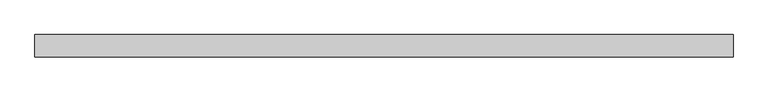
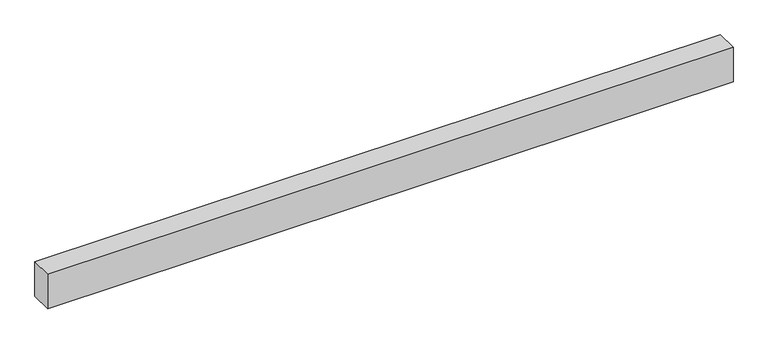
"""IFC4 building model written with IfcOpenShell, lengths in millimetres: proxy geometry."""

from ifc_helpers import new_model, si_unit, origin, origin_with_axes, place, context, project, spatial, polyline, outline, extrude, source, transform, mapped, element, save


def generic_models_f068a827(model_context):
    return source(origin(), model_context, "Body", "SweptSolid", [
        extrude(outline(polyline([(9400.0, 300.0), (9400.0, 0.0), (0.0, 0.0), (0.0, 300.0), (9400.0, 300.0)])), origin_with_axes(), (0.0, 0.0, 1.0), 500.0),
    ])


if __name__ == "__main__":
    model = new_model("IFC4")
    model_context = context("Model", 3, world=origin())
    ifc_project = project(units=[si_unit("LENGTHUNIT", "METRE", prefix="MILLI")], contexts=[model_context])
    site = spatial("IfcSite", under=ifc_project)
    building = spatial("IfcBuilding", under=site)
    placement = place(None, origin())
    generic_models_shape = generic_models_f068a827(model_context)
    element("IfcBuildingElementProxy", 1, Name="Generic Models", at=placement, inside=building, context=model_context, shape_type="MappedRepresentation", body=[
        mapped(generic_models_shape, transform((0.0, 0.0, 0.0), x_axis=(1.0, 0.0, 0.0), y_axis=(0.0, 1.0, 0.0), z_axis=(0.0, 0.0, 1.0))),
    ])
    save(model, "model.ifc")
